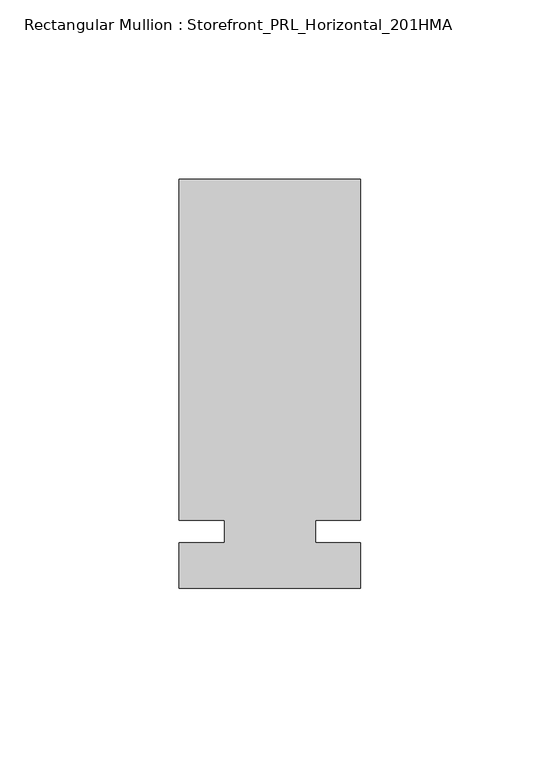
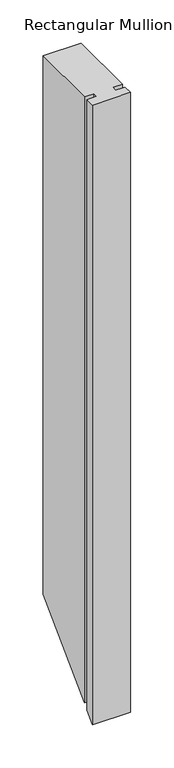
"""IFC4 building model written with IfcOpenShell, lengths in millimetres: member geometry, Rectangular Mullion : Storefront_PRL_Horizontal_201HMA."""

from ifc_helpers import new_model, si_unit, origin, place, context, project, spatial, faceted_brep, source, transform, mapped, element, save


def rectangular_mullion_storefront_prl_horizontal_201hma_e6ab1f29(model_context):
    return source(origin(), model_context, "Body", "Brep", [
        faceted_brep([(-12.7, 3.175, 0.0), (-12.7, -3.175, 0.0), (-25.4, -3.175, 0.0), (-25.4, -15.875, 0.0), (25.4, -15.875, 0.0), (25.4, -3.175, 0.0), (12.7, -3.175, 0.0), (12.7, 3.175, 0.0), (25.4, 3.175, 0.0), (25.4, 98.425, 0.0), (-25.4, 98.425, 0.0), (-25.4, 3.175, 0.0), (-12.7, 3.175, -854.075), (-12.7, -3.175, -860.425), (-25.4, -3.175, -860.425), (-25.4, -15.875, -873.125), (25.4, -15.875, -873.125), (25.4, -3.175, -860.425), (12.7, -3.175, -860.425), (12.7, 3.175, -854.075), (25.4, 3.175, -854.075), (25.4, 98.425, -758.825), (-25.4, 98.425, -758.825), (-25.4, 3.175, -854.075)], [[[0, 1, 2, 3, 4, 5, 6, 7, 8, 9, 10, 11]], [[1, 0, 12, 13]], [[2, 1, 13, 14]], [[3, 2, 14, 15]], [[4, 3, 15, 16]], [[5, 4, 16, 17]], [[6, 5, 17, 18]], [[7, 6, 18, 19]], [[8, 7, 19, 20]], [[9, 8, 20, 21]], [[10, 9, 21, 22]], [[11, 10, 22, 23]], [[0, 11, 23, 12]], [[12, 23, 22, 21, 20, 19, 18, 17, 16, 15, 14, 13]]]),
    ])


if __name__ == "__main__":
    model = new_model("IFC4")
    model_context = context("Model", 3, world=origin())
    ifc_project = project(units=[si_unit("LENGTHUNIT", "METRE", prefix="MILLI")], contexts=[model_context])
    site = spatial("IfcSite", under=ifc_project)
    building = spatial("IfcBuilding", under=site)
    placement = place(None, origin())
    rectangular_mullion_storefront_prl_horizontal_201hma_shape = rectangular_mullion_storefront_prl_horizontal_201hma_e6ab1f29(model_context)
    element("IfcMember", 1, ObjectType="Rectangular Mullion : Storefront_PRL_Horizontal_201HMA", at=placement, inside=building, context=model_context, shape_type="MappedRepresentation", body=[
        mapped(rectangular_mullion_storefront_prl_horizontal_201hma_shape, transform((0.0, 0.0, 0.0), x_axis=(1.0, 0.0, 0.0), y_axis=(0.0, 1.0, 0.0), z_axis=(0.0, 0.0, 1.0))),
    ])
    save(model, "model.ifc")
